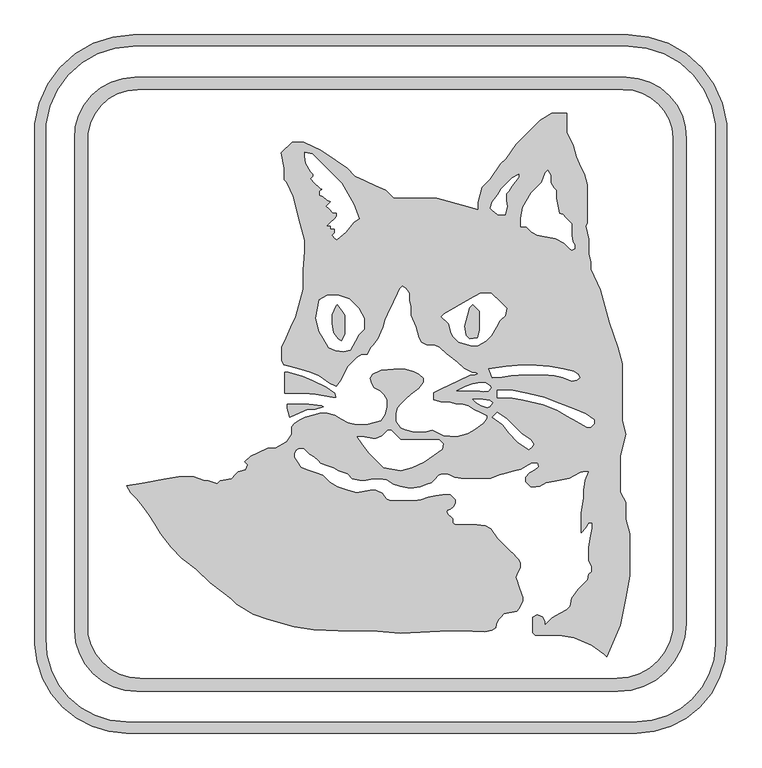
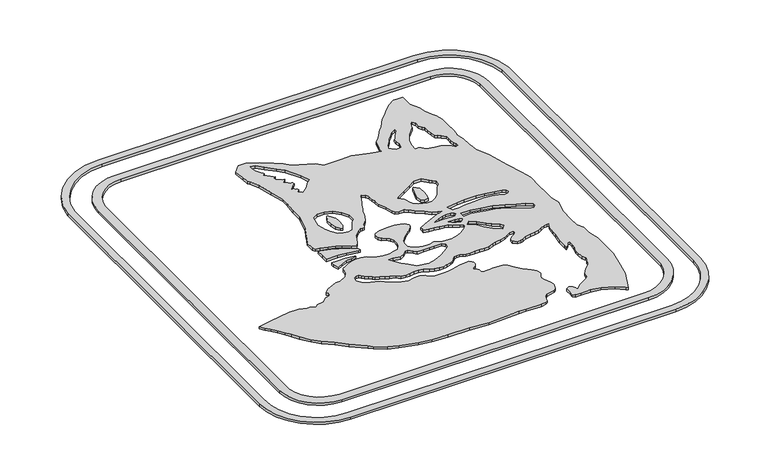
"""IFC4 building model written with IfcOpenShell, lengths in millimetres: proxy geometry."""

import ifcopenshell
import ifcopenshell.guid

model = None  # the IFC model being written
_history = None  # IfcOwnerHistory: only IFC2X3 demands one
_inside = {}  # id of a spatial element -> (the spatial element, [elements in it])
_under = {}  # id of a project, library or spatial element -> (it, [spatial elements below it])
_declared = {}  # id of a project -> (the project, [libraries it declares])
_typed = {}  # id of a type object -> (the type object, [elements of that type])
_made_of = {}  # id of a material, layer set ... -> (it, [elements and type objects made of it])


def new_model(schema):
    """Start an empty IFC model of exactly this schema.

    Asked for "IFC4X3", IfcOpenShell would pick the latest addendum, in which some entities
    have other attributes; the version numbers below select the first issue.
    IFC2X3 requires an IfcOwnerHistory on every rooted entity: one is made here for all.
    """
    global model, _history
    if schema == "IFC4X3":
        model = ifcopenshell.file(schema_version=(4, 3, 0, 0))
    else:
        model = ifcopenshell.file(schema=schema)
    _inside.clear()
    _under.clear()
    _declared.clear()
    _typed.clear()
    _made_of.clear()
    _history = None
    if model.schema == "IFC2X3":
        org = make("IfcOrganization", Name="unknown")
        user = make(
            "IfcPersonAndOrganization",
            ThePerson=make("IfcPerson", FamilyName="unknown"),
            TheOrganization=org,
        )
        app = make(
            "IfcApplication",
            ApplicationDeveloper=org,
            Version="unknown",
            ApplicationFullName="unknown",
            ApplicationIdentifier="unknown",
        )
        _history = make(
            "IfcOwnerHistory",
            OwningUser=user,
            OwningApplication=app,
            ChangeAction="ADDED",
            CreationDate=0,
        )
    return model


def make(cls, **values):
    """One entity of the class cls with the attributes given. An attribute that is None is left unset."""
    return model.create_entity(
        cls, **{name: value for name, value in values.items() if value is not None}
    )


def rooted(cls, **values):
    """An entity with a GlobalId (a new one), such as an element, a storey or a relation."""
    return make(cls, GlobalId=ifcopenshell.guid.new(), OwnerHistory=_history, **values)


def si_unit(unit_type, name, prefix=None):
    """IfcSIUnit, for example si_unit("LENGTHUNIT", "METRE", prefix="MILLI")."""
    return make("IfcSIUnit", UnitType=unit_type, Prefix=prefix, Name=name)


def assignment(units):
    """IfcUnitAssignment: the units of a project."""
    return None if units is None else make("IfcUnitAssignment", Units=units)


def point(xyz):
    """IfcCartesianPoint."""
    return None if xyz is None else make("IfcCartesianPoint", Coordinates=xyz)


def direction(xyz):
    """IfcDirection."""
    return None if xyz is None else make("IfcDirection", DirectionRatios=xyz)


def frame(location, z_axis=None, x_axis=None):
    """IfcAxis2Placement3D, a coordinate frame: its origin and axes. An axis left out is left unset."""
    return make(
        "IfcAxis2Placement3D",
        Location=point(location),
        Axis=direction(z_axis),
        RefDirection=direction(x_axis),
    )


def frame_2d(location, x_axis=None):
    """IfcAxis2Placement2D, a coordinate frame in the plane: its origin and x axis."""
    return make(
        "IfcAxis2Placement2D", Location=point(location), RefDirection=direction(x_axis)
    )


def origin():
    """The frame at (0, 0, 0) with its axes left unset."""
    return frame((0.0, 0.0, 0.0))


def origin_with_axes():
    """The frame at (0, 0, 0) with the z axis (0, 0, 1) and the x axis (1, 0, 0) written out."""
    return frame((0.0, 0.0, 0.0), z_axis=(0.0, 0.0, 1.0), x_axis=(1.0, 0.0, 0.0))


def place(relative_to, where):
    """IfcLocalPlacement: puts the frame where relative to a parent placement (None: the world)."""
    return make(
        "IfcLocalPlacement", PlacementRelTo=relative_to, RelativePlacement=where
    )


def context(
    kind, dimensions, precision=None, world=None, true_north=None, identifier=None
):
    """IfcGeometricRepresentationContext, for example the 3D "Model" context."""
    return make(
        "IfcGeometricRepresentationContext",
        ContextIdentifier=identifier,
        ContextType=kind,
        CoordinateSpaceDimension=dimensions,
        Precision=precision,
        WorldCoordinateSystem=world,
        TrueNorth=true_north,
    )


def project(units=None, contexts=None):
    """IfcProject with its units and contexts."""
    return rooted(
        "IfcProject",
        Name="project",
        RepresentationContexts=contexts,
        UnitsInContext=assignment(units),
    )


def spatial(cls, under=None, at=None, **own):
    """A site, building, storey or space (cls), placed at a placement, below another one or the project."""
    s = rooted(cls, ObjectPlacement=at, **own)
    if under is not None:
        _under.setdefault(under.id(), (under, []))[1].append(s)
    return s


def polyline(points):
    """IfcPolyline through the points."""
    return make("IfcPolyline", Points=[point(p) for p in points])


def circle_curve(where, radius):
    """IfcCircle in the frame where."""
    return make("IfcCircle", Position=where, Radius=radius)


def trimmed(basis, trim1, trim2, sense, master):
    """IfcTrimmedCurve: the piece of a basis curve between two trims."""
    return make(
        "IfcTrimmedCurve",
        BasisCurve=basis,
        Trim1=trim1,
        Trim2=trim2,
        SenseAgreement=sense,
        MasterRepresentation=master,
    )


def segment(curve, same_sense, transition):
    """IfcCompositeCurveSegment."""
    return make(
        "IfcCompositeCurveSegment",
        Transition=transition,
        SameSense=same_sense,
        ParentCurve=curve,
    )


def composite_curve(segments, self_intersect=None):
    """IfcCompositeCurve: segments joined end to end."""
    return make("IfcCompositeCurve", Segments=segments, SelfIntersect=self_intersect)


def outline(outer, holes=None, kind="AREA"):
    """IfcArbitraryClosedProfileDef: a profile drawn as a closed curve; with holes, ...WithVoids."""
    if holes is None:
        return make("IfcArbitraryClosedProfileDef", ProfileType=kind, OuterCurve=outer)
    return make(
        "IfcArbitraryProfileDefWithVoids",
        ProfileType=kind,
        OuterCurve=outer,
        InnerCurves=holes,
    )


def extrude(swept, where, along, depth):
    """IfcExtrudedAreaSolid: the profile swept, set in the frame where, extruded along a direction by depth."""
    return make(
        "IfcExtrudedAreaSolid",
        SweptArea=swept,
        Position=where,
        ExtrudedDirection=direction(along),
        Depth=depth,
    )


def shape(context_of_items, identifier, shape_type, items):
    """IfcShapeRepresentation: the items that make up one representation, for example the "Body"."""
    return make(
        "IfcShapeRepresentation",
        ContextOfItems=context_of_items,
        RepresentationIdentifier=identifier,
        RepresentationType=shape_type,
        Items=items,
    )


def source(mapping_origin, context_of_items, identifier, shape_type, items):
    """IfcRepresentationMap: a shape defined once, which mapped items show again and again."""
    return make(
        "IfcRepresentationMap",
        MappingOrigin=mapping_origin,
        MappedRepresentation=shape(context_of_items, identifier, shape_type, items),
    )


def transform(
    local_origin,
    x_axis=None,
    y_axis=None,
    z_axis=None,
    scale=None,
    scale2=None,
    scale3=None,
    uniform=True,
):
    """IfcCartesianTransformationOperator3D, or its non-uniform kind. x_axis, y_axis, z_axis: its Axis1, 2, 3."""
    if uniform:
        return make(
            "IfcCartesianTransformationOperator3D",
            Axis1=direction(x_axis),
            Axis2=direction(y_axis),
            LocalOrigin=point(local_origin),
            Scale=scale,
            Axis3=direction(z_axis),
        )
    return make(
        "IfcCartesianTransformationOperator3DnonUniform",
        Axis1=direction(x_axis),
        Axis2=direction(y_axis),
        LocalOrigin=point(local_origin),
        Scale=scale,
        Axis3=direction(z_axis),
        Scale2=scale2,
        Scale3=scale3,
    )


def mapped(mapping_source, mapping_target):
    """IfcMappedItem: shows the shape of a source again, moved by a transform."""
    return make(
        "IfcMappedItem", MappingSource=mapping_source, MappingTarget=mapping_target
    )


def made_of(thing, what):
    """Note that an element or type object is made of a material, layer set ...; save() writes the relation."""
    if what is not None:
        _made_of.setdefault(what.id(), (what, []))[1].append(thing)
    return thing


def element(
    cls,
    number,
    at=None,
    inside=None,
    cuts=None,
    type_object=None,
    material=None,
    context=None,
    identifier="Body",
    shape_type=None,
    held_by="IfcProductDefinitionShape",
    body=None,
    shapes=None,
    **own,
):
    """One element of the class cls, such as IfcWall. Its Tag is "e" and its number.

    at: its placement. inside: the storey or other place that contains it. cuts: it is an
    opening in that element (IfcRelVoidsElement). A single representation is given by context,
    identifier, shape_type and body (its items); several are given by shapes. held_by: the class
    of the entity that holds the representations. save() writes the other relations.
    """
    e = rooted(cls, Tag="e%d" % number, ObjectPlacement=at, **own)
    if body is not None:
        shapes = [shape(context, identifier, shape_type, body)]
    if shapes is not None:
        e.Representation = make(held_by, Representations=shapes)
    if inside is not None:
        _inside.setdefault(inside.id(), (inside, []))[1].append(e)
    if cuts is not None:
        rooted(
            "IfcRelVoidsElement", RelatingBuildingElement=cuts, RelatedOpeningElement=e
        )
    if type_object is not None:
        _typed.setdefault(type_object.id(), (type_object, []))[1].append(e)
    return made_of(e, material)


def aggregate(whole, parts):
    """IfcRelAggregates: a whole, such as a stair, and the parts it consists of."""
    return rooted("IfcRelAggregates", RelatingObject=whole, RelatedObjects=parts)


def save(model, path):
    """Write the relations noted so far, then the file.

    IfcRelAggregates (storeys below a building ...), IfcRelContainedInSpatialStructure (elements
    in a storey), IfcRelDefinesByType, IfcRelAssociatesMaterial and IfcRelDeclares: one each for
    every whole, place, type object, material and project.
    """
    for whole, parts in _under.values():
        aggregate(whole, parts)
    for where, things in _inside.values():
        rooted(
            "IfcRelContainedInSpatialStructure",
            RelatedElements=things,
            RelatingStructure=where,
        )
    for kind, things in _typed.values():
        rooted("IfcRelDefinesByType", RelatedObjects=things, RelatingType=kind)
    for what, things in _made_of.values():
        rooted("IfcRelAssociatesMaterial", RelatedObjects=things, RelatingMaterial=what)
    for by, libraries in _declared.values():
        rooted("IfcRelDeclares", RelatingContext=by, RelatedDefinitions=libraries)
    model.write(path)


def generic_models_e6d4d77e(model_context):
    return source(origin(), model_context, "Body", "SweptSolid", [
        extrude(outline(polyline([(5090.8547728, 30.6328157), (5088.0710488, 46.4200989), (5093.0015516, 64.8209859), (5096.2885535, 77.0882439), (5101.5623543, 82.3620447), (5112.322391, 71.602008), (5112.322391, 52.552008), (5112.322391, 39.2102537), (5109.0353891, 26.9429957), (5096.7167085, 24.77088), (5090.8547728, 30.6328157)])), origin_with_axes(), (0.0, 0.0, 1.0), 6.35),
        extrude(outline(polyline([(4887.1781269, 32.5067794), (4880.9208016, 21.668774), (4875.6055621, 24.737529), (4868.3211413, 35.1407599), (4865.5359235, 50.9365154), (4865.5359235, 65.5026789), (4872.4544908, 80.3395945), (4874.4909056, 82.3760092), (4881.7753263, 71.9727783), (4887.1781269, 64.2567794), (4887.1781269, 51.5567794), (4887.1781269, 32.5067794)])), origin_with_axes(), (0.0, 0.0, 1.0), 6.35),
        extrude(outline(polyline([(4551.9277779, -216.2697207), (4583.1954241, -210.756391), (4608.209541, -206.3457273), (4633.609541, -206.3457273), (4651.5106854, -212.8612111), (4657.8606854, -212.8612111), (4672.7475345, -218.279581), (4678.1659044, -212.8612111), (4696.9264921, -209.5532133), (4703.8507282, -202.6289771), (4708.3408563, -198.1388491), (4720.6081143, -194.8518472), (4723.8459727, -185.9559045), (4719.3558446, -181.4657764), (4728.9849553, -171.8366657), (4757.7602275, -158.4185359), (4770.4602275, -158.4185359), (4789.5932561, -147.3720767), (4798.2130434, -135.0617446), (4798.2130434, -122.3617446), (4801.8552538, -117.1601291), (4810.7749207, -112.010357), (4820.6155417, -106.3288719), (4832.8827996, -103.04187), (4845.1500576, -99.7548681), (4857.8500576, -99.7548681), (4870.1173156, -103.04187), (4880.5205466, -110.3262907), (4892.0306555, -115.6935427), (4906.0431142, -119.4481697), (4923.2817046, -119.4481697), (4935.5489626, -116.1611678), (4947.8162205, -112.8741659), (4955.1006413, -102.470935), (4958.3876432, -90.203677), (4958.3876432, -77.503677), (4953.3440628, -68.7679395), (4946.5906041, -62.0144808), (4936.3180753, -57.224322), (4931.8257351, -49.4433605), (4929.5232394, -40.8503294), (4933.7448935, -34.8211825), (4948.1154605, -28.1200771), (4969.0146401, -26.2916358), (4988.0646401, -26.2916358), (5002.4752013, -30.152934), (5011.1799171, -34.2120097), (5018.4836217, -41.5157142), (5018.4836217, -47.8657142), (5011.199201, -58.2689452), (4997.5773989, -67.8070337), (4988.5971428, -76.7872898), (4981.0938098, -84.2906228), (4974.9802779, -90.4041546), (4972.4747618, -99.7548681), (4972.4747618, -113.5731758), (4979.7591826, -123.9764067), (4987.2300013, -127.4601067), (5003.5994546, -131.8462885), (5020.951027, -131.8462885), (5033.2182849, -128.5592867), (5040.2672832, -131.8462885), (5051.7773921, -137.2135404), (5074.9211455, -139.2383565), (5093.3220324, -134.3078537), (5104.7042404, -127.7363329), (5120.3090868, -116.8097018), (5126.1232742, -108.5061817), (5126.1232742, -103.6654698), (5117.7369618, -99.7548681), (5103.0740317, -92.9174315), (5095.1426668, -87.36383), (5085.7901781, -84.8578382), (5073.1385055, -83.7509603), (5060.8712475, -80.4639584), (5048.1712475, -80.4639584), (5035.9039895, -77.1769566), (5035.9039895, -71.4908743), (5035.9039895, -65.1408743), (5049.6901386, -58.7122874), (5078.4654108, -45.2941576), (5097.6363611, -36.3545966), (5103.9863611, -36.3545966), (5109.7414156, -33.6709707), (5106.850459, -30.780014), (5100.500459, -30.780014), (5087.3717058, -24.6579759), (5075.7698323, -13.0561024), (5057.7366035, -0.4290996), (5046.602729, 10.7047749), (5037.3637615, 15.0129762), (5024.6637615, 15.0129762), (5015.6394319, 19.2210902), (5012.1105856, 26.7887255), (5007.1800828, 45.1896125), (4998.1420993, 64.5716307), (4998.1420993, 78.9198262), (4995.4404235, 89.0026175), (4995.4404235, 101.7026175), (4989.9280381, 109.5751196), (4983.1692574, 114.3076688), (4978.6791293, 109.8175408), (4974.7274048, 101.3430402), (4968.0700136, 87.0662187), (4964.5471342, 79.5113794), (4958.3876432, 66.3023083), (4953.885416, 56.6472509), (4950.5984141, 44.3799929), (4947.1663903, 37.0199942), (4941.7991384, 25.5098853), (4934.5147177, 15.1066543), (4930.0245896, 10.6165263), (4924.6573377, -0.8935826), (4918.5144807, -0.8935826), (4914.1567846, -0.8935826), (4912.7138429, -2.3365243), (4906.6499037, -5.8375413), (4898.5317841, -13.9556608), (4890.9640426, -21.5234023), (4880.2295388, -44.5436201), (4872.945118, -54.9468511), (4861.4350091, -49.5795991), (4843.8191248, -37.2448241), (4829.9552948, -30.780014), (4813.2044392, -26.2916358), (4794.9206468, -21.3925084), (4784.3495344, -18.5599874), (4780.9389653, -11.2459982), (4780.9389653, 10.9866034), (4788.4918148, 27.1837416), (4796.5426927, 44.4489049), (4804.7493525, 62.0481435), (4817.1355787, 108.274169), (4817.1355787, 140.024169), (4819.9027735, 171.6533507), (4819.9027735, 190.7033507), (4810.0417679, 227.5051247), (4800.1807623, 264.3068986), (4789.4462584, 287.3271164), (4784.9561303, 291.8172445), (4784.9561303, 310.8672445), (4780.6377812, 337.2422969), (4798.5982934, 355.2028091), (4817.9376783, 355.2028091), (4846.7129506, 341.7846793), (4872.721028, 323.5736275), (4890.8676235, 310.8672445), (4903.9249081, 297.8099599), (4920.6605965, 290.0059802), (4937.9257599, 281.9551023), (4955.1909232, 273.9042244), (4968.6613074, 260.4338403), (4984.0782553, 260.4338403), (5015.8282553, 260.4338403), (5041.2282553, 260.4338403), (5059.6291423, 255.5033374), (5084.1636583, 248.9293337), (5110.6846452, 241.8230567), (5110.6846452, 254.5230567), (5117.258649, 279.0575727), (5130.7290331, 292.5279568), (5148.940085, 318.5360342), (5157.9203411, 327.5162904), (5174.562747, 351.2841092), (5192.5232592, 369.2446214), (5201.5035154, 378.2248775), (5214.9738995, 391.6952617), (5234.0140118, 403.609961), (5246.7140118, 403.609961), (5259.4140118, 403.609961), (5259.4140118, 397.259961), (5259.4140118, 371.859961), (5270.1485156, 348.8397433), (5275.0790184, 330.4388563), (5283.1298963, 313.1736929), (5288.4971483, 301.663584), (5293.4276511, 283.262697), (5293.4276511, 260.4338403), (5293.4276511, 231.9133964), (5293.4276511, 219.2133964), (5290.7440251, 213.4583419), (5296.4834788, 192.0384093), (5296.4834788, 166.6384093), (5299.7704806, 154.3711513), (5299.7704806, 141.6711513), (5315.8722364, 107.1408246), (5330.6637448, 51.9381636), (5344.9939199, 10.9949783), (5352.4143728, -16.6985289), (5352.4143728, -54.7985289), (5352.4143728, -86.5485289), (5352.4143728, -111.9485289), (5358.5229388, -134.7460077), (5348.6619332, -171.5477817), (5348.6619332, -207.4369508), (5348.6619332, -232.8369508), (5358.1869332, -249.3347347), (5358.1869332, -268.3847347), (5358.1869332, -277.7905132), (5364.7609369, -302.3250292), (5364.7609369, -340.4250292), (5364.7609369, -372.1750292), (5358.1869332, -409.4580571), (5348.6619332, -455.7213244), (5326.3316492, -508.3281768), (5321.8415211, -503.8380488), (5301.0350592, -489.2692073), (5271.8090301, -476.8634939), (5246.7949132, -472.4528302), (5221.3949132, -472.4528302), (5206.6141247, -472.4528302), (5202.1239966, -467.9627022), (5202.1239966, -457.4746122), (5202.1239966, -442.0624401), (5209.5243765, -437.7898288), (5218.3895523, -441.5528727), (5222.5935132, -448.8343466), (5222.5935132, -455.9727465), (5235.3148431, -443.2514165), (5248.4778977, -435.6517234), (5259.4764203, -429.3017234), (5265.3704825, -423.4076613), (5268.0180814, -410.5481783), (5278.9447125, -394.9433318), (5287.9249686, -385.9630757), (5294.5293413, -379.358703), (5296.4753156, -369.9070359), (5300.9654437, -365.4169079), (5300.9654437, -356.5949408), (5295.7642195, -347.5861562), (5295.7642195, -330.6744697), (5295.7642195, -324.3244697), (5299.6057887, -305.6658297), (5301.8111206, -293.1587712), (5301.8111206, -283.7374003), (5295.7642195, -283.7374003), (5290.6607972, -292.5767871), (5283.180945, -300.0566392), (5283.180945, -289.3418265), (5283.180945, -266.9241218), (5287.5916087, -241.9100049), (5287.5916087, -229.2100049), (5290.519886, -212.6029194), (5295.7642195, -198.1942316), (5291.0521401, -196.9316337), (5281.9779559, -198.5316572), (5270.9794333, -204.8816572), (5263.4802151, -209.2113329), (5250.9731566, -211.4166647), (5238.4660982, -213.6219966), (5223.8763931, -216.1945552), (5213.7781861, -222.0247578), (5207.5246569, -223.1274237), (5198.5827495, -223.1274237), (5190.1744228, -214.719097), (5190.1744228, -207.1917513), (5197.3391259, -200.0270483), (5206.3605986, -194.8184985), (5211.9584932, -189.220604), (5210.8558273, -182.9670747), (5200.6725422, -182.9670747), (5190.1744228, -189.0281668), (5182.2953758, -193.5771367), (5168.004436, -197.4063825), (5153.7346251, -201.2299668), (5145.9206208, -203.3237229), (5131.5830492, -208.5421722), (5120.0413725, -208.5421722), (5107.3413725, -208.5421722), (5094.6413725, -208.5421722), (5081.9413725, -208.5421722), (5071.416108, -207.6213309), (5065.9168467, -204.4463309), (5058.5737219, -201.7736521), (5049.8591664, -201.7736521), (5043.8921182, -203.94548), (5036.806261, -211.0313372), (5031.5817792, -216.255819), (5023.9430698, -219.0360819), (5013.457348, -222.8525725), (5002.1834528, -224.8404644), (4992.7381649, -224.8404644), (4980.2311065, -222.6351325), (4969.287601, -218.6520223), (4957.3244697, -211.7451052), (4945.934541, -209.7367535), (4934.2239683, -209.7367535), (4921.7169098, -211.9420853), (4911.9328458, -211.9420853), (4899.4257873, -209.7367535), (4891.4626859, -201.7736521), (4876.4947645, -196.3257742), (4868.0019861, -191.4224663), (4856.0678898, -187.0788105), (4846.4296216, -183.5707677), (4841.9394936, -179.0806397), (4835.538542, -172.6796881), (4827.9318318, -168.2879519), (4822.5108709, -162.866991), (4818.0624158, -158.4185359), (4810.8375018, -158.4185359), (4804.4276576, -162.1192612), (4802.4465727, -167.5622471), (4802.4465727, -173.9122471), (4806.6961043, -181.2726518), (4812.9428113, -190.1938739), (4823.0945864, -194.9277244), (4828.0591716, -196.7346856), (4837.9139318, -199.3752607), (4849.8480281, -203.7189165), (4855.8658651, -209.7367535), (4861.9901511, -215.8610395), (4874.2126561, -222.917706), (4879.4953913, -224.8404644), (4891.4294876, -229.1841202), (4906.7492549, -233.2890395), (4920.5454346, -230.8564008), (4929.8039517, -229.2238744), (4938.7518526, -229.2238744), (4949.335304, -234.1590189), (4952.9775144, -239.3606344), (4957.4436729, -243.8267929), (4964.3342227, -247.039909), (4992.9123143, -247.039909), (5003.5354274, -247.039909), (5014.9659103, -245.0244065), (5026.9000066, -240.6807507), (5039.4070651, -238.4754188), (5050.9089613, -236.4473242), (5063.6089613, -236.4473242), (5068.0990894, -240.9374522), (5071.7987492, -244.6371121), (5071.7987492, -250.9871121), (5068.6237492, -256.4863734), (5064.1336211, -260.9765014), (5059.1273994, -262.7986171), (5057.7892547, -265.6682778), (5060.8219723, -269.9994474), (5064.3709366, -273.5484117), (5067.6482194, -276.8256944), (5067.6482194, -283.1756944), (5071.7987492, -287.3262243), (5078.1487492, -287.3262243), (5090.8487492, -287.3262243), (5096.008756, -287.3262243), (5108.418774, -287.3262243), (5122.3034374, -288.5409749), (5131.8573044, -294.0569026), (5142.7839355, -309.661749), (5154.5394466, -321.4172602), (5162.7244682, -329.6022817), (5169.9516681, -336.8294816), (5174.4417961, -341.3196097), (5178.9319242, -345.8097377), (5181.1037521, -351.7767859), (5181.1037521, -359.3983222), (5176.931028, -366.6256924), (5173.3264967, -375.1174359), (5175.8719792, -382.1110915), (5178.6810001, -389.8288131), (5183.024656, -401.7629094), (5185.6577678, -408.9973248), (5185.6577678, -414.0812322), (5182.4650343, -421.602841), (5179.9838916, -427.4480468), (5175.4937636, -431.9381749), (5153.8612063, -436.5363169), (5149.3710782, -441.0264449), (5144.8809501, -445.516573), (5141.3400967, -453.8583008), (5140.2374308, -460.1118301), (5133.8490358, -463.8001717), (5121.4265612, -466.4406502), (5081.5503303, -465.0481415), (5062.5003303, -465.0481415), (4981.0716777, -469.3156363), (4931.9600262, -465.0481415), (4875.8839211, -465.0481415), (4835.1384368, -462.9127611), (4802.3762216, -457.723736), (4757.8962061, -445.8053518), (4732.9666233, -436.7317257), (4705.7515615, -420.3792668), (4696.7713054, -411.3990107), (4661.2719569, -384.6483329), (4637.9667188, -361.3430947), (4613.5772811, -342.9643352), (4595.6167688, -325.0038229), (4578.4714307, -302.2511907), (4567.8206151, -285.2063228), (4559.0460056, -271.1640123), (4547.5814294, -255.9500058), (4538.2042884, -243.5061193), (4527.97288, -233.274711), (4520.7789968, -221.7620912), (4551.9277779, -216.2697207)]), holes=[polyline([(4904.2545486, 20.6740867), (4910.6045486, 31.6726093), (4919.5848047, 40.6528654), (4919.5848047, 59.7028654), (4910.0598047, 76.2006493), (4894.2566716, 92.0037825), (4876.3555271, 98.5192662), (4857.3055271, 98.5192662), (4843.7029312, 90.6658038), (4838.1896016, 59.3981577), (4844.1356231, 37.2073032), (4850.4856231, 26.2087806), (4860.0106231, 9.7109966), (4871.9447194, 5.3673408), (4884.4517779, 3.1620089), (4895.9177356, 6.2343031), (4904.2545486, 20.6740867)]), polyline([(5068.462155, 28.5981719), (5077.974324, 19.0860029), (5097.9460731, 13.4043984), (5110.2067046, 13.4043984), (5123.7652232, 21.2324127), (5132.7454793, 30.2126689), (5140.7314321, 44.0447447), (5147.0814321, 55.0432674), (5156.0616882, 64.0235235), (5158.2670201, 76.5305819), (5151.3330896, 83.4645124), (5146.8429616, 87.9546404), (5132.973457, 101.824145), (5113.923457, 101.824145), (5097.425673, 92.299145), (5075.4286278, 79.599145), (5053.4315825, 66.899145), (5048.9414545, 62.409017), (5060.9073377, 50.4431337), (5065.287155, 34.0974332), (5068.462155, 28.5981719)]), polyline([(5255.125901, 185.0216259), (5264.1061571, 176.0413698), (5267.3957731, 173.4604521), (5272.4938864, 176.4038492), (5272.4938864, 182.7538492), (5269.3188864, 188.2531105), (5267.3957731, 199.1596278), (5267.3957731, 209.6679269), (5267.3957731, 218.4655653), (5258.415517, 227.4458214), (5252.2389673, 233.622371), (5246.2719192, 235.7941989), (5244.0665873, 248.3012574), (5241.8612555, 260.8083158), (5241.8612555, 270.6814291), (5241.8612555, 273.9684309), (5237.3711274, 278.458559), (5232.6721767, 286.5973804), (5232.6721767, 299.2973804), (5227.6331768, 308.0251842), (5223.1430488, 303.5350561), (5217.3518683, 287.6239187), (5199.3913561, 269.6634064), (5185.6245984, 245.8186827), (5182.3166007, 227.058095), (5182.3166007, 212.9225312), (5191.6558401, 212.9225312), (5200.6360962, 203.942275), (5209.5596068, 198.7902838), (5222.0666652, 196.584952), (5240.8272529, 193.2769542), (5255.125901, 185.0216259)]), polyline([(5143.1168811, 233.509693), (5153.3307431, 233.509693), (5155.6887651, 233.509693), (5158.0847506, 240.0926092), (5159.3913413, 247.5026533), (5157.6563924, 257.3420377), (5157.6563924, 268.047613), (5161.9070085, 272.2982291), (5167.0505124, 281.2070392), (5178.80936, 296.1947677), (5178.80936, 301.2714228), (5167.8108374, 294.9214228), (5158.8305812, 285.9411667), (5149.375122, 276.4857075), (5143.6994469, 266.6551498), (5134.3571286, 254.7475092), (5130.585789, 244.3858388), (5135.4349978, 239.53663), (5143.1168811, 233.509693)]), polyline([(4902.2116873, 250.5087936), (4881.5313886, 286.3281216), (4868.0610044, 299.7985058), (4847.2467108, 320.6127994), (4832.0096771, 335.8498331), (4819.5026186, 338.0551649), (4819.5026186, 331.7051649), (4821.7079505, 319.1981065), (4829.4898666, 305.7194325), (4833.9799946, 301.2293044), (4833.9799946, 297.9423025), (4829.4898666, 293.4521745), (4835.8216903, 287.1203508), (4846.2472526, 276.6947884), (4849.6005875, 276.6947884), (4845.1104594, 272.2046603), (4845.1104594, 265.8546603), (4851.0775076, 263.6828324), (4857.4236641, 257.336676), (4863.3907122, 255.164848), (4860.4026995, 252.1768353), (4855.9125714, 247.6867072), (4860.4026995, 243.1965792), (4866.9575373, 236.6417414), (4873.3075373, 236.6417414), (4873.3075373, 230.2917414), (4868.8174092, 225.8016133), (4864.3272811, 221.3114853), (4857.351694, 214.3358982), (4863.701694, 214.3358982), (4863.701694, 209.4621869), (4870.051694, 209.4621869), (4870.051694, 203.1121869), (4865.561566, 198.6220588), (4870.051694, 194.1319308), (4873.3075373, 190.8760876), (4888.4559753, 203.5871363), (4902.0403608, 220.9016802), (4911.0867932, 226.1246404), (4902.2116873, 250.5087936)]), polyline([(4919.5848047, -139.3880512), (4908.0854919, -139.3880512), (4915.7224811, -150.2948021), (4926.6491122, -165.8996485), (4938.5684645, -177.8190008), (4952.0388487, -191.289385), (4980.9331702, -196.3842335), (4999.3340572, -191.4537307), (5019.0822252, -182.2450087), (5036.1423619, -170.2993723), (5050.1081674, -160.5204101), (5051.7819742, -151.02778), (5045.0577388, -144.3035446), (5026.0077388, -144.3035446), (5013.3077388, -144.3035446), (4998.3829082, -144.3035446), (4981.1407611, -144.3035446), (4974.1660135, -137.328797), (4965.1857574, -128.3485409), (4958.8357574, -128.3485409), (4949.8555013, -137.328797), (4938.3453924, -142.696049), (4919.5848047, -139.3880512)]), polyline([(5142.8047345, -97.8927162), (5134.1050831, -106.5923676), (5151.7978832, -118.9809995), (5161.6044149, -132.9861783), (5177.1320745, -148.5138379), (5195.658776, -161.4863739), (5200.1489041, -156.9962459), (5203.7911144, -151.7946304), (5198.5457997, -144.3035446), (5183.0283264, -133.4380928), (5174.0480702, -124.4578367), (5158.4095809, -108.8193474), (5142.8047345, -97.8927162)]), polyline([(5143.0224213, -61.3950869), (5143.0224213, -74.0950869), (5163.5202404, -74.0950869), (5183.0303263, -77.6322406), (5198.1029302, -80.8360215), (5219.9732578, -85.4847031), (5243.5237277, -94.9997106), (5260.0215117, -104.5247106), (5276.5192956, -114.0497106), (5293.0170795, -123.5747106), (5299.3670795, -123.5747106), (5305.6452976, -117.2964926), (5305.6452976, -110.9464926), (5291.3817359, -100.9590392), (5270.5940567, -92.5602716), (5247.0435868, -83.0452641), (5221.2497741, -72.6238873), (5193.2673703, -66.6760438), (5168.4224213, -61.3950869), (5143.0224213, -61.3950869)]), polyline([(5128.5298325, -25.5221959), (5134.0155617, -40.5941131), (5137.4048594, -39.3605097), (5149.9522527, -39.3605097), (5165.4501375, -36.9058858), (5190.7882644, -35.1340714), (5219.17891, -35.1340714), (5239.4664055, -36.5527113), (5253.7100944, -40.3692962), (5267.8396183, -46.0779944), (5276.209792, -44.7522892), (5280.6999201, -40.2621611), (5278.5280922, -34.295113), (5271.0855661, -29.0838001), (5253.6369744, -25.3749874), (5229.9722128, -21.0845963), (5208.4245403, -19.5778362), (5176.6745403, -19.5778362), (5157.6709451, -20.9066971), (5128.5298325, -25.5221959)]), polyline([(5089.5962271, -54.8739109), (5074.4447853, -62.2637629), (5082.1178024, -62.2637629), (5092.7409155, -62.2637629), (5109.3382689, -62.2637629), (5118.7839844, -63.9762591), (5127.1435883, -62.6522279), (5132.3981681, -57.3976481), (5130.9544336, -53.4310202), (5123.411492, -49.0761009), (5110.711492, -49.0761009), (5101.5303234, -50.5302551), (5089.5962271, -54.8739109)]), polyline([(5118.5150259, -76.314788), (5101.8763751, -76.314788), (5107.6787017, -82.1171145), (5115.9536774, -86.894674), (5125.571463, -90.7805116), (5129.7422641, -88.746276), (5132.842795, -85.6457451), (5134.9512371, -81.9938163), (5129.7496216, -78.3516059), (5118.5150259, -76.314788)])]), origin_with_axes(), (0.0, 0.0, 1.0), 6.35),
        extrude(outline(polyline([(4809.4944649, -99.7548681), (4794.4941661, -106.7496224), (4790.3633474, -91.3331969), (4790.3633474, -84.9831969), (4807.1221065, -84.9831969), (4826.1721065, -84.9831969), (4848.4277591, -87.2616355), (4850.4059393, -89.2398157), (4837.0958236, -92.8062505), (4824.3958236, -92.8062505), (4809.4944649, -99.7548681)])), origin_with_axes(), (0.0, 0.0, 1.0), 6.35),
        extrude(outline(polyline([(4817.1206381, -65.9331969), (4785.9325761, -65.9331969), (4785.9325761, -48.6695675), (4785.9325761, -31.2379223), (4792.2825761, -31.2379223), (4815.8453011, -37.5515354), (4833.1104645, -45.6024133), (4856.1306823, -56.3369171), (4870.1520781, -66.1548042), (4871.9719295, -72.946582), (4866.9850201, -72.946582), (4838.3709884, -68.108717), (4817.1206381, -65.9331969)])), origin_with_axes(), (0.0, 0.0, 1.0), 6.35),
        extrude(outline(composite_curve([segment(trimmed(circle_curve(frame_2d((5362.3894468, 368.8170488)), 166.0737066), [point((5362.3894468, 534.8907554))], [point((5527.5533843, 386.1764782))], False, "CARTESIAN"), True, "CONTINUOUS"), segment(polyline([(5527.5533843, 386.1764782), (5527.5533843, -487.7764782)]), True, "CONTINUOUS"), segment(trimmed(circle_curve(frame_2d((5376.7343628, -485.6568398)), 150.8339156), [point((5527.5533843, -487.7764782))], [point((5376.7343628, -636.4907554))], False, "CARTESIAN"), True, "CONTINUOUS"), segment(polyline([(5376.7343628, -636.4907554), (4520.5876309, -636.4907554)]), True, "CONTINUOUS"), segment(trimmed(circle_curve(frame_2d((4520.5876309, -482.7850674)), 153.705688), [point((4520.5876309, -636.4907554))], [point((4366.9630093, -487.7764782))], False, "CARTESIAN"), True, "CONTINUOUS"), segment(polyline([(4366.9630093, -487.7764782), (4366.9630093, 386.1764782)]), True, "CONTINUOUS"), segment(trimmed(circle_curve(frame_2d((4532.1269468, 368.8170488)), 166.0737066), [point((4366.9630093, 386.1764782))], [point((4532.1269468, 534.8907554))], False, "CARTESIAN"), True, "CONTINUOUS"), segment(polyline([(4532.1269468, 534.8907554), (5362.3894468, 534.8907554)]), True, "CONTINUOUS")], self_intersect=False), holes=[composite_curve([segment(polyline([(4386.0130093, 385.1476209), (4386.0130093, -478.1132852)]), True, "CONTINUOUS"), segment(trimmed(circle_curve(frame_2d((4520.5876309, -482.7850674)), 134.655688), [point((4386.0130093, -478.1132852))], [point((4520.5876309, -617.4407554))], True, "CARTESIAN"), True, "CONTINUOUS"), segment(polyline([(4520.5876309, -617.4407554), (5376.7343628, -617.4407554)]), True, "CONTINUOUS"), segment(trimmed(circle_curve(frame_2d((5376.7343628, -485.6568398)), 131.7839156), [point((5376.7343628, -617.4407554))], [point((5508.5033843, -487.6381019))], True, "CARTESIAN"), True, "CONTINUOUS"), segment(polyline([(5508.5033843, -487.6381019), (5508.5033843, 385.1476209)]), True, "CONTINUOUS"), segment(trimmed(circle_curve(frame_2d((5362.3894468, 368.8170488)), 147.0237066), [point((5508.5033843, 385.1476209))], [point((5362.3894468, 515.8407554))], True, "CARTESIAN"), True, "CONTINUOUS"), segment(polyline([(5362.3894468, 515.8407554), (4532.1269468, 515.8407554)]), True, "CONTINUOUS"), segment(trimmed(circle_curve(frame_2d((4532.1269468, 368.8170488)), 147.0237066), [point((4532.1269468, 515.8407554))], [point((4386.0130093, 385.1476209))], True, "CARTESIAN"), True, "CONTINUOUS")], self_intersect=False)]), origin_with_axes(), (0.0, 0.0, 1.0), 6.35),
        extrude(outline(composite_curve([segment(trimmed(circle_curve(frame_2d((5359.1406023, 362.6686893)), 100.7879009), [point((5359.1406023, 463.4565902))], [point((5459.9086166, 360.6666205))], False, "CARTESIAN"), True, "CONTINUOUS"), segment(polyline([(5459.9086166, 360.6666205), (5459.9086166, -453.2475301)]), True, "CONTINUOUS"), segment(trimmed(circle_curve(frame_2d((5345.1129472, -451.7391804)), 114.8055784), [point((5459.9086166, -453.2475301))], [point((5345.1129472, -566.5447588))], False, "CARTESIAN"), True, "CONTINUOUS"), segment(polyline([(5345.1129472, -566.5447588), (4538.2397461, -566.5447588)]), True, "CONTINUOUS"), segment(trimmed(circle_curve(frame_2d((4538.2397461, -461.6742728)), 104.870486), [point((4538.2397461, -566.5447588))], [point((4433.3906479, -463.7921584))], False, "CARTESIAN"), True, "CONTINUOUS"), segment(polyline([(4433.3906479, -463.7921584), (4433.3906479, 360.7039898)]), True, "CONTINUOUS"), segment(trimmed(circle_curve(frame_2d((4534.1593977, 362.6686893)), 100.7879009), [point((4433.3906479, 360.7039898))], [point((4534.1593977, 463.4565902))], False, "CARTESIAN"), True, "CONTINUOUS"), segment(polyline([(4534.1593977, 463.4565902), (5359.1406023, 463.4565902)]), True, "CONTINUOUS")], self_intersect=False), holes=[composite_curve([segment(polyline([(4456.7495765, 370.0098313), (4456.7495765, -471.5104999)]), True, "CONTINUOUS"), segment(trimmed(circle_curve(frame_2d((4543.7669534, -456.4647969)), 88.3085334), [point((4456.7495765, -471.5104999))], [point((4543.7669534, -544.7733302))], True, "CARTESIAN"), True, "CONTINUOUS"), segment(polyline([(4543.7669534, -544.7733302), (5343.1483133, -544.7733302)]), True, "CONTINUOUS"), segment(trimmed(circle_curve(frame_2d((5343.1483133, -449.7617573)), 95.011573), [point((5343.1483133, -544.7733302))], [point((5437.1450005, -463.611732))], True, "CARTESIAN"), True, "CONTINUOUS"), segment(polyline([(5437.1450005, -463.611732), (5437.1450005, 362.424267)]), True, "CONTINUOUS"), segment(trimmed(circle_curve(frame_2d((5353.6096125, 359.6926225)), 83.5800391), [point((5437.1450005, 362.424267))], [point((5353.6096125, 443.2726616))], True, "CARTESIAN"), True, "CONTINUOUS"), segment(polyline([(5353.6096125, 443.2726616), (4539.6903875, 443.2726616)]), True, "CONTINUOUS"), segment(trimmed(circle_curve(frame_2d((4539.6903875, 359.6926225)), 83.5800391), [point((4539.6903875, 443.2726616))], [point((4456.7495765, 370.0098313))], True, "CARTESIAN"), True, "CONTINUOUS")], self_intersect=False)]), origin_with_axes(), (0.0, 0.0, 1.0), 6.35),
    ])


if __name__ == "__main__":
    model = new_model("IFC4")
    model_context = context("Model", 3, world=origin())
    ifc_project = project(units=[si_unit("LENGTHUNIT", "METRE", prefix="MILLI")], contexts=[model_context])
    site = spatial("IfcSite", under=ifc_project)
    building = spatial("IfcBuilding", under=site)
    placement = place(None, origin())
    generic_models_shape = generic_models_e6d4d77e(model_context)
    element("IfcBuildingElementProxy", 1, Name="Generic Models", at=placement, inside=building, context=model_context, shape_type="MappedRepresentation", body=[
        mapped(generic_models_shape, transform((0.0, 0.0, 0.0), x_axis=(1.0, 0.0, 0.0), y_axis=(0.0, 1.0, 0.0), z_axis=(0.0, 0.0, 1.0))),
    ])
    save(model, "model.ifc")
